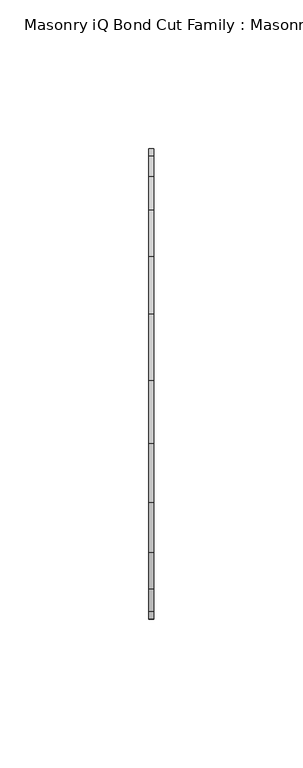
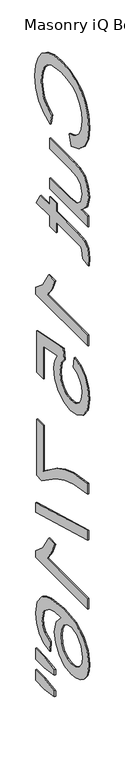
"""IFC4 building model written with IfcOpenShell, lengths in millimetres: proxy geometry, Masonry iQ Bond Cut Family : Masonry iQ Bond Cut."""

from ifc_helpers import new_model, si_unit, frame, origin, place, context, project, spatial, polyline, outline, extrude, source, transform, mapped, element, save


def masonry_iq_bond_cut_family_masonry_iq_bond_cut_3615170a(model_context):
    return source(origin(), model_context, "Body", "SweptSolid", [
        extrude(outline(polyline([(892.6206364, 458.8966992), (887.6868974, 439.7597721), (865.3869577, 448.5900437), (849.0953403, 462.4474962), (839.1297482, 480.6500031), (835.8078841, 502.5154373), (838.3214746, 524.7125908), (845.8622462, 542.3404291), (858.1685611, 555.8521462), (874.9787817, 565.7009358), (894.7417704, 571.7139302), (915.9063895, 573.7182617), (938.2296897, 571.4522926), (957.5067798, 564.6543851), (973.1256146, 553.6796191), (984.4741487, 538.8830741), (991.3841866, 521.3346615), (993.6875326, 502.1042924), (990.7067319, 481.1218853), (981.7643299, 463.774373), (967.4116346, 450.6037193), (948.1999539, 442.151888), (943.639983, 461.2888151), (957.5955497, 467.923199), (967.1686854, 476.9870756), (972.7051254, 488.5925753), (974.5506055, 502.8518286), (972.5042251, 519.2882811), (966.3650839, 532.790654), (956.777932, 543.0365722), (944.3875192, 549.7036608), (915.9437663, 554.5813346), (898.2645348, 553.1376553), (882.9774192, 548.8066174), (870.6664322, 541.4246973), (861.9155864, 530.8283714), (856.687505, 518.1249279), (854.9448112, 504.4216547), (857.3182387, 488.4477402), (864.4385211, 475.1369235), (876.2309049, 465.0872335), (892.6206364, 458.8966992)])), frame((34.925, 0.0, 0.0), z_axis=(1.0, 0.0, 0.0), x_axis=(0.0, 1.0, 0.0)), (0.0, 0.0, 1.0), 1.7068799),
        extrude(outline(polyline([(838.2, 344.0751367), (857.5238111, 344.0751367), (841.2368659, 359.0632378), (835.8078841, 378.6113098), (839.6203188, 396.6082442), (849.1887823, 409.0173453), (863.27984, 414.717309), (881.0712019, 415.8386133), (950.6294466, 415.8386133), (950.6294466, 396.7016862), (890.0790133, 396.7016862), (870.5683181, 395.5430051), (859.1123256, 387.9742009), (854.9448112, 373.7149476), (859.2057676, 357.736361), (870.8112673, 347.177412), (892.1347379, 344.0751367), (950.6294466, 344.0751367), (950.6294466, 324.9382096), (838.2, 324.9382096), (838.2, 344.0751367)])), frame((34.925, 0.0, 0.0), z_axis=(1.0, 0.0, 0.0), x_axis=(0.0, 1.0, 0.0)), (0.0, 0.0, 1.0), 1.7068799),
        extrude(outline(polyline([(854.1598982, 257.9589648), (837.6393478, 255.566849), (835.8078841, 269.8821675), (838.984913, 285.9168193), (847.3199418, 293.9154567), (869.0358688, 296.232819), (931.4925195, 296.232819), (931.4925195, 310.5855143), (950.6294466, 310.5855143), (950.6294466, 296.232819), (977.9518952, 296.232819), (989.2023153, 277.0958919), (950.6294466, 277.0958919), (950.6294466, 257.9589648), (931.4925195, 257.9589648), (931.4925195, 277.0958919), (869.596521, 277.0958919), (859.729043, 276.086718), (856.2343112, 272.8162471), (854.9448112, 266.2939936), (854.1598982, 257.9589648)])), frame((34.925, 0.0, 0.0), z_axis=(1.0, 0.0, 0.0), x_axis=(0.0, 1.0, 0.0)), (0.0, 0.0, 1.0), 1.7068799),
        extrude(outline(polyline([(838.2, 112.0398958), (838.2, 131.1768229), (957.5067798, 131.1768229), (944.5930917, 149.3045761), (934.9311861, 169.4506771), (953.0215625, 169.4506771), (970.9250548, 141.3993806), (991.2954167, 124.3742434), (991.2954167, 112.0398958), (838.2, 112.0398958)])), frame((34.925, 0.0, 0.0), z_axis=(1.0, 0.0, 0.0), x_axis=(0.0, 1.0, 0.0)), (0.0, 0.0, 1.0), 1.7068799),
        extrude(outline(polyline([(878.8659701, 66.589694), (881.2580859, 47.4527669), (869.7693887, 43.9393467), (861.5418183, 37.8095498), (856.594063, 29.0914087), (854.9448112, 17.812956), (857.238813, 4.0956665), (864.1208182, -6.1829564), (874.7965698, -12.6024237), (888.4718104, -14.7422461), (901.3481217, -12.7379146), (911.1969113, -6.7249202), (917.4481829, 3.3434582), (919.5319401, 17.5139415), (916.205404, 34.314818), (907.5713607, 45.060651), (909.9634766, 64.1975781), (988.9033008, 47.4527669), (988.9033008, -26.7028255), (969.7663737, -26.7028255), (969.7663737, 31.9787673), (927.6053312, 40.2016656), (935.9029832, 26.5310971), (938.6688672, 12.2064344), (935.2395448, -5.6783695), (924.9515777, -20.5356518), (909.2720056, -30.5432928), (889.6678683, -33.8791732), (870.5309413, -30.8796841), (854.1598982, -21.8812169), (840.3958876, -4.6505072), (835.8078841, 17.8877097), (838.7559801, 36.6835733), (847.6002679, 51.6576581), (861.3128853, 61.9222648), (878.8659701, 66.589694)])), frame((34.925, 0.0, 0.0), z_axis=(1.0, 0.0, 0.0), x_axis=(0.0, 1.0, 0.0)), (0.0, 0.0, 1.0), 1.7068799),
        extrude(outline(polyline([(969.7663737, -110.4268815), (988.9033008, -110.4268815), (988.9033008, -210.8957487), (973.4293011, -210.8957487), (932.2587442, -182.3959305), (906.389319, -169.8887153), (879.8003903, -160.5865615), (838.2, -153.4849675), (838.2, -134.3480404), (881.3702164, -141.9542214), (906.2211234, -150.8078534), (930.1656428, -162.8291701), (969.7663737, -191.7588216), (969.7663737, -110.4268815)])), frame((34.925, 0.0, 0.0), z_axis=(1.0, 0.0, 0.0), x_axis=(0.0, 1.0, 0.0)), (0.0, 0.0, 1.0), 1.7068799),
        extrude(outline(polyline([(838.2, -218.0720964), (991.2954167, -261.1301823), (991.2954167, -278.4730225), (838.2, -235.3775597), (838.2, -218.0720964)])), frame((34.925, 0.0, 0.0), z_axis=(1.0, 0.0, 0.0), x_axis=(0.0, 1.0, 0.0)), (0.0, 0.0, 1.0), 1.7068799),
        extrude(outline(polyline([(838.2, -359.2069336), (838.2, -340.0700065), (957.5067798, -340.0700065), (944.5930917, -321.9422533), (934.9311861, -301.7961524), (953.0215625, -301.7961524), (970.9250548, -329.8474488), (991.2954167, -346.8725861), (991.2954167, -359.2069336), (838.2, -359.2069336)])), frame((34.925, 0.0, 0.0), z_axis=(1.0, 0.0, 0.0), x_axis=(0.0, 1.0, 0.0)), (0.0, 0.0, 1.0), 1.7068799),
        extrude(outline(polyline([(950.6294466, -502.7338867), (948.2373307, -483.5969596), (964.1972289, -476.3458584), (970.1681744, -467.6650941), (972.1584896, -457.1715545), (967.5237651, -439.9034679), (950.1248597, -426.8402726), (935.8702785, -422.8736585), (916.0185199, -421.4019466), (931.2869471, -438.2775767), (936.2767513, -459.1899023), (932.8661173, -476.8691337), (922.6342154, -491.7077276), (907.0013643, -501.7714339), (887.3878829, -505.1260026), (873.6846097, -503.5468324), (860.9811661, -498.8093216), (850.2073004, -491.3059269), (842.2927608, -481.4291046), (837.4291033, -469.6273766), (835.8078841, -456.3492646), (840.1062173, -434.6380097), (853.001217, -417.3465627), (875.7636948, -406.0354053), (909.6644621, -402.2650195), (947.7794648, -406.4512223), (962.3167081, -411.6839758), (973.8404461, -419.0098307), (986.931674, -436.1564427), (991.2954167, -458.3676124), (988.5949421, -475.1591446), (980.4935184, -488.6054523), (967.6265513, -498.0244086), (950.6294466, -502.7338867)]), holes=[polyline([(887.6868974, -421.4019466), (871.1102818, -425.8310987), (859.0749488, -437.6047941), (854.9448112, -454.8541922), (857.0846336, -467.4828821), (863.5041009, -477.4110975), (873.5958397, -483.844581), (886.7524771, -485.9890755), (899.381167, -483.8726136), (909.0103679, -477.5232279), (915.1074601, -467.4268169), (917.1398242, -454.0692792), (915.1074601, -441.4592777), (909.0103679, -430.9143449), (899.6147721, -423.7800462), (887.6868974, -421.4019466)])]), frame((34.925, 0.0, 0.0), z_axis=(1.0, 0.0, 0.0), x_axis=(0.0, 1.0, 0.0)), (0.0, 0.0, 1.0), 1.7068799),
        extrude(outline(polyline([(936.2767513, -526.5429152), (965.8418086, -521.8708138), (991.2954167, -521.8708138), (991.2954167, -541.0077409), (965.8418086, -541.0077409), (936.2767513, -536.8215381), (936.2767513, -526.5429152)])), frame((34.925, 0.0, 0.0), z_axis=(1.0, 0.0, 0.0), x_axis=(0.0, 1.0, 0.0)), (0.0, 0.0, 1.0), 1.7068799),
        extrude(outline(polyline([(936.2767513, -564.7046389), (965.8418086, -560.144668), (991.2954167, -560.144668), (991.2954167, -579.2815951), (965.8418086, -579.2815951), (936.2767513, -574.7963778), (936.2767513, -564.7046389)])), frame((34.925, 0.0, 0.0), z_axis=(1.0, 0.0, 0.0), x_axis=(0.0, 1.0, 0.0)), (0.0, 0.0, 1.0), 1.7068799),
    ])


if __name__ == "__main__":
    model = new_model("IFC4")
    model_context = context("Model", 3, world=origin())
    ifc_project = project(units=[si_unit("LENGTHUNIT", "METRE", prefix="MILLI")], contexts=[model_context])
    site = spatial("IfcSite", under=ifc_project)
    building = spatial("IfcBuilding", under=site)
    placement = place(None, origin())
    masonry_iq_bond_cut_family_masonry_iq_bond_cut_shape = masonry_iq_bond_cut_family_masonry_iq_bond_cut_3615170a(model_context)
    element("IfcBuildingElementProxy", 1, Name="Masonry iQ Bond Cut Family : Masonry iQ Bond Cut", ObjectType="Masonry iQ Bond Cut Family : Masonry iQ Bond Cut", at=placement, inside=building, context=model_context, shape_type="MappedRepresentation", body=[
        mapped(masonry_iq_bond_cut_family_masonry_iq_bond_cut_shape, transform((0.0, 0.0, 0.0), x_axis=(1.0, 0.0, 0.0), y_axis=(0.0, 1.0, 0.0), z_axis=(0.0, 0.0, 1.0))),
    ])
    save(model, "model.ifc")
